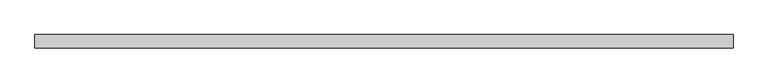
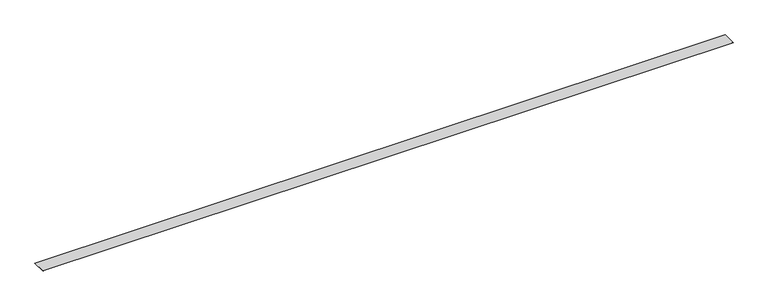
"""IFC4 building model written with IfcOpenShell, lengths in millimetres: proxy geometry."""

from ifc_helpers import new_model, si_unit, frame, origin, place, context, project, spatial, polyline, outline, extrude, source, transform, mapped, element, save


def specialty_equipment_03d6a99f(model_context):
    return source(origin(), model_context, "Body", "SweptSolid", [
        extrude(outline(polyline([(3962.4, 0.0), (3962.4, -76.2), (0.0, -76.2), (0.0, 0.0), (3962.4, 0.0)])), frame((0.0, 0.0, 1.5875), z_axis=(0.0, 0.0, 1.0), x_axis=(1.0, 0.0, 0.0)), (0.0, 0.0, 1.0), 1.5875),
    ])


if __name__ == "__main__":
    model = new_model("IFC4")
    model_context = context("Model", 3, world=origin())
    ifc_project = project(units=[si_unit("LENGTHUNIT", "METRE", prefix="MILLI")], contexts=[model_context])
    site = spatial("IfcSite", under=ifc_project)
    building = spatial("IfcBuilding", under=site)
    placement = place(None, origin())
    specialty_equipment_shape = specialty_equipment_03d6a99f(model_context)
    element("IfcBuildingElementProxy", 1, Name="Specialty Equipment", at=placement, inside=building, context=model_context, shape_type="MappedRepresentation", body=[
        mapped(specialty_equipment_shape, transform((0.0, 0.0, 0.0), x_axis=(1.0, 0.0, 0.0), y_axis=(0.0, 1.0, 0.0), z_axis=(0.0, 0.0, 1.0))),
    ])
    save(model, "model.ifc")
